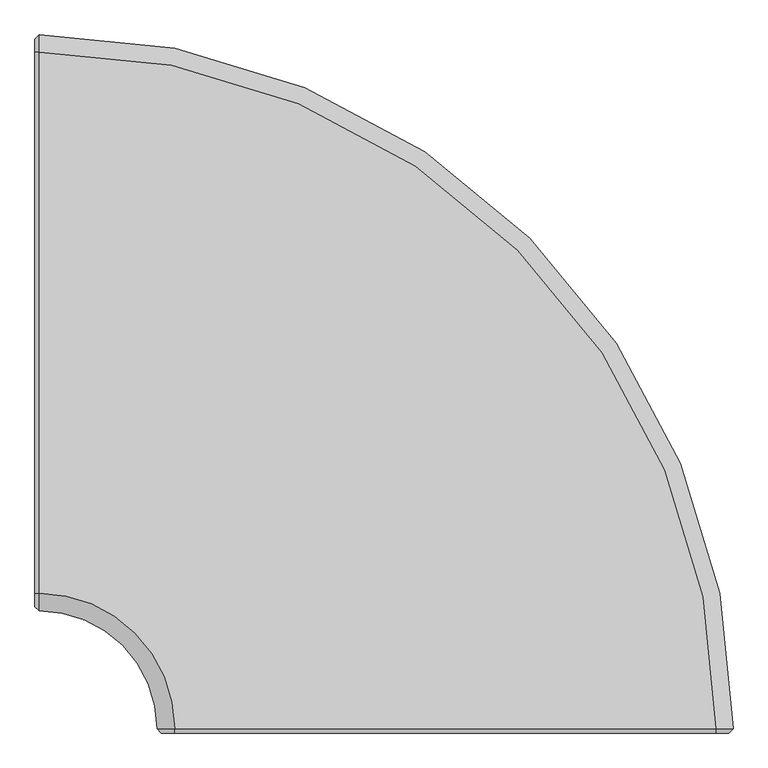
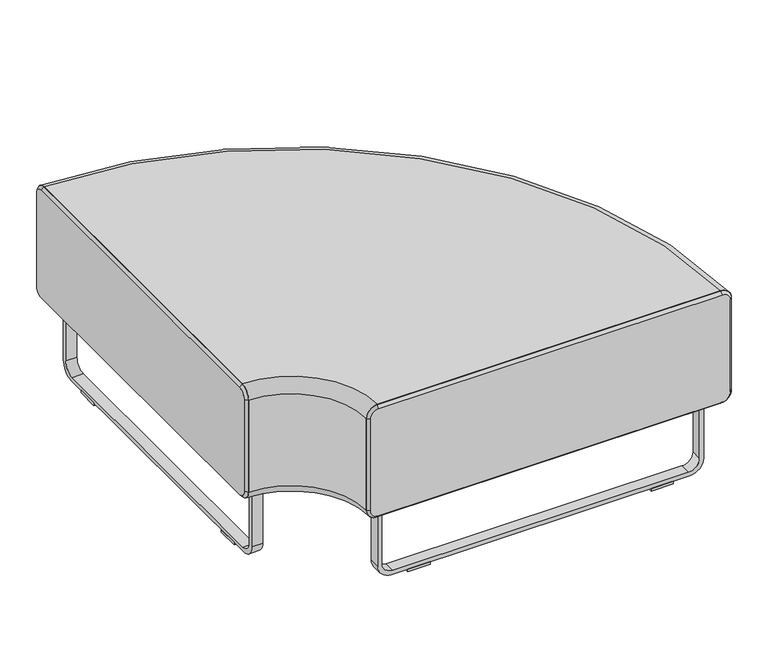
"""IFC4 building model written with IfcOpenShell, lengths in millimetres: furniture geometry."""

from ifc_helpers import new_model, si_unit, point, frame, frame_2d, origin, origin_with_axes, place, context, project, spatial, polyline, circle_curve, ellipse_curve, trimmed, segment, composite_curve, outline, extrude, source, transform, mapped, element, save
from ifc_brep_helpers import plane_surface, cylinder_surface, revolved_surface, advanced_brep


def furniture_3b325048(model_context):
    return source(origin(), model_context, "Body", "SolidModel", [
        advanced_brep(
        [(-514.9320562, -692.0193165, 209.55), (-514.9320562, -692.0193165, 431.8), (-514.9320562, -666.6193165, 457.2), (-514.9320562, 120.7806835, 457.2), (-514.9320562, 146.1806835, 431.8), (-514.9320562, 146.1806835, 209.55), (-514.9320562, 120.7806835, 184.15), (-514.9320562, -666.6193165, 184.15), (-343.4820562, -863.4693165, 209.55), (-318.0820562, -863.4693165, 184.15), (469.3179438, -863.4693165, 184.15), (494.7179438, -863.4693165, 209.55), (494.7179438, -863.4693165, 431.8), (469.3179438, -863.4693165, 457.2), (-318.0820562, -863.4693165, 457.2), (-343.4820562, -863.4693165, 431.8)],
        [
            (0, 1),
            (1, 2, circle_curve(frame((-514.9320562, -666.6193165, 431.8), z_axis=(-1.0, 0.0, 0.0), x_axis=(0.0, -1.0, 0.0)), 25.4)),
            (2, 3),
            (3, 4, circle_curve(frame((-514.9320562, 120.7806835, 431.8), z_axis=(-1.0, 0.0, 0.0), x_axis=(0.0, -1.0, 0.0)), 25.4)),
            (4, 5),
            (5, 6, circle_curve(frame((-514.9320562, 120.7806835, 209.55), z_axis=(-1.0, 0.0, 0.0), x_axis=(0.0, -1.0, 0.0)), 25.4)),
            (6, 7),
            (7, 0, circle_curve(frame((-514.9320562, -666.6193165, 209.55), z_axis=(-1.0, 0.0, 0.0), x_axis=(0.0, -1.0, 0.0)), 25.4)),
            (8, 9, circle_curve(frame((-318.0820562, -863.4693165, 209.55), z_axis=(0.0, -1.0, 0.0), x_axis=(-1.0, 0.0, 0.0)), 25.4)),
            (9, 10),
            (10, 11, circle_curve(frame((469.3179438, -863.4693165, 209.55), z_axis=(0.0, -1.0, 0.0), x_axis=(-1.0, 0.0, 0.0)), 25.4)),
            (11, 12),
            (12, 13, circle_curve(frame((469.3179438, -863.4693165, 431.8), z_axis=(0.0, -1.0, 0.0), x_axis=(-1.0, 0.0, 0.0)), 25.4)),
            (13, 14),
            (14, 15, circle_curve(frame((-318.0820562, -863.4693165, 431.8), z_axis=(0.0, -1.0, 0.0), x_axis=(-1.0, 0.0, 0.0)), 25.4)),
            (15, 8),
            (15, 1, circle_curve(frame((-514.9320562, -863.4693165, 431.8), z_axis=(0.0, 0.0, 1.0), x_axis=(0.0, 1.0, 0.0)), 171.45)),
            (0, 8, circle_curve(frame((-514.9320562, -863.4693165, 209.55), z_axis=(0.0, 0.0, -1.0), x_axis=(0.0, 1.0, 0.0)), 171.45)),
            (14, 2, circle_curve(frame((-514.9320562, -863.4693165, 457.2), z_axis=(0.0, 0.0, 1.0), x_axis=(0.0, 1.0, 0.0)), 196.85)),
            (13, 3, circle_curve(frame((-514.9320562, -863.4693165, 457.2), z_axis=(0.0, 0.0, 1.0), x_axis=(0.0, 1.0, 0.0)), 984.25)),
            (12, 4, circle_curve(frame((-514.9320562, -863.4693165, 431.8), z_axis=(0.0, 0.0, 1.0), x_axis=(0.0, 1.0, 0.0)), 1009.65)),
            (11, 5, circle_curve(frame((-514.9320562, -863.4693165, 209.55), z_axis=(0.0, 0.0, 1.0), x_axis=(0.0, 1.0, 0.0)), 1009.65)),
            (10, 6, circle_curve(frame((-514.9320562, -863.4693165, 184.15), z_axis=(0.0, 0.0, 1.0), x_axis=(0.0, 1.0, 0.0)), 984.25)),
            (9, 7, circle_curve(frame((-514.9320562, -863.4693165, 184.15), z_axis=(0.0, 0.0, 1.0), x_axis=(0.0, 1.0, 0.0)), 196.85)),
        ],
        [
            plane_surface(frame((-514.9320562, -863.4693165, 574.4626339), z_axis=(-1.0, 0.0, 0.0), x_axis=(0.0, 1.0, 0.0))),
            plane_surface(frame((-514.9320562, -863.4693165, 574.4626339), z_axis=(0.0, -1.0, 0.0), x_axis=(1.0, 0.0, 0.0))),
            revolved_surface(polyline([(-514.9320562, -692.0193165000001, 209.55), (-514.9320562, -692.0193165000001, 431.8)]), (-514.9320562, -863.4693165, 574.4626339), (0.0, 0.0, -1.0)),
            revolved_surface(trimmed(ellipse_curve(frame((-514.9320562, -666.6193165, 431.8), z_axis=(-1.0, 0.0, 0.0), x_axis=(0.0, -1.0, 0.0)), 25.4, 25.4), [point((-514.9320562, -692.0193165, 431.8))], [point((-514.9320562, -666.6193165, 457.2))], True, "CARTESIAN"), (-514.9320562, -863.4693165, 574.4626339), (0.0, 0.0, -1.0)),
            plane_surface(frame((-514.9320562, -863.4693165, 457.2), z_axis=(0.0, 0.0, 1.0), x_axis=(0.0, 1.0, 0.0))),
            revolved_surface(trimmed(ellipse_curve(frame((-514.9320562, 120.7806835, 431.8), z_axis=(-1.0, 0.0, 0.0), x_axis=(0.0, -1.0, 0.0)), 25.4, 25.4), [point((-514.9320562, 120.7806835, 457.2))], [point((-514.9320562, 146.1806835, 431.8))], True, "CARTESIAN"), (-514.9320562, -863.4693165, 574.4626339), (0.0, 0.0, -1.0)),
            cylinder_surface(frame((-514.9320562, -863.4693165, 574.4626339), z_axis=(0.0, 0.0, -1.0), x_axis=(0.0, 1.0, 0.0)), 1009.65),
            revolved_surface(trimmed(ellipse_curve(frame((-514.9320562, 120.7806835, 209.55), z_axis=(-1.0, 0.0, 0.0), x_axis=(0.0, -1.0, 0.0)), 25.4, 25.4), [point((-514.9320562, 146.1806835, 209.55))], [point((-514.9320562, 120.7806835, 184.15))], True, "CARTESIAN"), (-514.9320562, -863.4693165, 574.4626339), (0.0, 0.0, -1.0)),
            plane_surface(frame((-514.9320562, -863.4693165, 184.15), z_axis=(0.0, 0.0, -1.0), x_axis=(0.0, 1.0, 0.0))),
            revolved_surface(trimmed(ellipse_curve(frame((-514.9320562, -666.6193165, 209.55), z_axis=(-1.0, 0.0, 0.0), x_axis=(0.0, -1.0, 0.0)), 25.4, 25.4), [point((-514.9320562, -666.6193165, 184.15))], [point((-514.9320562, -692.0193165, 209.55))], True, "CARTESIAN"), (-514.9320562, -863.4693165, 574.4626339), (0.0, 0.0, -1.0)),
        ],
        [
            (0, [[1, 2, 3, 4, 5, 6, 7, 8]]),
            (1, [[9, 10, 11, 12, 13, 14, 15, 16]]),
            (2, [[17, -1, 18, -16]]),
            (3, [[19, -2, -17, -15]]),
            (4, [[20, -3, -19, -14]]),
            (5, [[21, -4, -20, -13]]),
            (6, [[22, -5, -21, -12]]),
            (7, [[23, -6, -22, -11]]),
            (8, [[24, -7, -23, -10]]),
            (9, [[-18, -8, -24, -9]]),
        ],
    ),
        advanced_brep(
        [(469.3179438, -863.4693165, 457.2), (494.7179438, -863.4693165, 431.8), (494.7179438, -863.4693165, 209.55), (469.3179438, -863.4693165, 184.15), (-318.0820562, -863.4693165, 184.15), (-343.4820562, -863.4693165, 209.55), (-343.4820562, -863.4693165, 431.8), (-318.0820562, -863.4693165, 457.2), (469.3179438, -869.8193165, 450.85), (-318.0820562, -869.8193165, 450.85), (-337.1320562, -869.8193165, 431.8), (-337.1320562, -869.8193165, 209.55), (-318.0820562, -869.8193165, 190.5), (469.3179438, -869.8193165, 190.5), (488.3679438, -869.8193165, 209.55), (488.3679438, -869.8193165, 431.8)],
        [
            (0, 1, circle_curve(frame((469.3179438, -863.4693165, 431.8), z_axis=(0.0, 1.0, 0.0), x_axis=(0.0, 0.0, 1.0)), 25.4)),
            (1, 2),
            (2, 3, circle_curve(frame((469.3179438, -863.4693165, 209.55), z_axis=(0.0, 1.0, 0.0), x_axis=(1.0, 0.0, 0.0)), 25.4)),
            (3, 4),
            (4, 5, circle_curve(frame((-318.0820562, -863.4693165, 209.55), z_axis=(0.0, 1.0, 0.0), x_axis=(0.0, 0.0, -1.0)), 25.4)),
            (5, 6),
            (6, 7, circle_curve(frame((-318.0820562, -863.4693165, 431.8), z_axis=(0.0, 1.0, 0.0), x_axis=(-1.0, 0.0, 0.0)), 25.4)),
            (7, 0),
            (8, 9),
            (9, 10, circle_curve(frame((-318.0820562, -869.8193165, 431.8), z_axis=(0.0, -1.0, 0.0), x_axis=(-1.0, 0.0, 0.0)), 19.05)),
            (10, 11),
            (11, 12, circle_curve(frame((-318.0820562, -869.8193165, 209.55), z_axis=(0.0, -1.0, 0.0), x_axis=(0.0, 0.0, -1.0)), 19.05)),
            (12, 13),
            (13, 14, circle_curve(frame((469.3179438, -869.8193165, 209.55), z_axis=(0.0, -1.0, 0.0), x_axis=(1.0, 0.0, 0.0)), 19.05)),
            (14, 15),
            (15, 8, circle_curve(frame((469.3179438, -869.8193165, 431.8), z_axis=(0.0, -1.0, 0.0), x_axis=(0.0, 0.0, 1.0)), 19.05)),
            (8, 0),
            (7, 9),
            (10, 6),
            (5, 11),
            (12, 4),
            (3, 13),
            (14, 2),
            (1, 15),
        ],
        [
            plane_surface(frame((75.6179438, -863.4693165, 320.675), z_axis=(0.0, 1.0, 0.0), x_axis=(-1.0, 0.0, 0.0))),
            plane_surface(frame((75.6179438, -869.8193165, 320.675), z_axis=(0.0, -1.0, 0.0), x_axis=(-1.0, 0.0, 0.0))),
            plane_surface(frame((75.6179438, -869.8193165, 450.85), z_axis=(0.0, -0.7071067811866907, 0.7071067811864044), x_axis=(1.0, 0.0, 0.0))),
            plane_surface(frame((-337.1320562, -869.8193165, 320.675), z_axis=(-0.7071067811863968, -0.7071067811866982, 0.0), x_axis=(0.0, 0.0, 1.0))),
            plane_surface(frame((75.6179438, -869.8193165, 190.5), z_axis=(0.0, -0.7071067811866888, -0.7071067811864062), x_axis=(-1.0, 0.0, 0.0))),
            plane_surface(frame((488.3679438, -869.8193165, 320.675), z_axis=(0.7071067811864119, -0.7071067811866832, 0.0), x_axis=(0.0, 0.0, -1.0))),
            revolved_surface(polyline([(488.3679438, -869.8193165, 431.8), (494.7179438, -863.4693165, 431.8)]), (469.3179438, -888.8693165, 431.8), (0.0, 1.0, 0.0)),
            revolved_surface(polyline([(469.3179438, -869.8193165, 190.50000000000003), (469.3179438, -863.4693165, 184.15)]), (469.3179438, -888.8693165, 209.55), (0.0, 1.0, 0.0)),
            revolved_surface(polyline([(-337.13205619999997, -869.8193165, 209.55), (-343.4820562, -863.4693165, 209.55)]), (-318.0820562, -888.8693165, 209.55), (0.0, 1.0, 0.0)),
            revolved_surface(polyline([(-318.0820562, -869.8193165, 450.84999999999997), (-318.0820562, -863.4693165, 457.2)]), (-318.0820562, -888.8693165, 431.8), (0.0, 1.0, 0.0)),
        ],
        [
            (0, [[1, 2, 3, 4, 5, 6, 7, 8]]),
            (1, [[9, 10, 11, 12, 13, 14, 15, 16]]),
            (2, [[-9, 17, -8, 18]]),
            (3, [[-11, 19, -6, 20]]),
            (4, [[-13, 21, -4, 22]]),
            (5, [[-15, 23, -2, 24]]),
            (6, [[-16, -24, -1, -17]]),
            (7, [[-14, -22, -3, -23]]),
            (8, [[-12, -20, -5, -21]]),
            (9, [[-10, -18, -7, -19]]),
        ],
    ),
        advanced_brep(
        [(-514.9320562, -666.6193165, 457.2), (-514.9320562, -692.0193165, 431.8), (-514.9320562, -692.0193165, 209.55), (-514.9320562, -666.6193165, 184.15), (-514.9320562, 120.7806835, 184.15), (-514.9320562, 146.1806835, 209.55), (-514.9320562, 146.1806835, 431.8), (-514.9320562, 120.7806835, 457.2), (-521.2820562, -666.6193165, 450.85), (-521.2820562, 120.7806835, 450.85), (-521.2820562, 139.8306835, 431.8), (-521.2820562, 139.8306835, 209.55), (-521.2820562, 120.7806835, 190.5), (-521.2820562, -666.6193165, 190.5), (-521.2820562, -685.6693165, 209.55), (-521.2820562, -685.6693165, 431.8)],
        [
            (0, 1, circle_curve(frame((-514.9320562, -666.6193165, 431.8), z_axis=(1.0, 0.0, 0.0), x_axis=(0.0, 0.0, 1.0)), 25.4)),
            (1, 2),
            (2, 3, circle_curve(frame((-514.9320562, -666.6193165, 209.55), z_axis=(1.0, 0.0, 0.0), x_axis=(0.0, -1.0, 0.0)), 25.4)),
            (3, 4),
            (4, 5, circle_curve(frame((-514.9320562, 120.7806835, 209.55), z_axis=(1.0, 0.0, 0.0), x_axis=(0.0, 0.0, -1.0)), 25.4)),
            (5, 6),
            (6, 7, circle_curve(frame((-514.9320562, 120.7806835, 431.8), z_axis=(1.0, 0.0, 0.0), x_axis=(0.0, 1.0, 0.0)), 25.4)),
            (7, 0),
            (8, 9),
            (9, 10, circle_curve(frame((-521.2820562, 120.7806835, 431.8), z_axis=(-1.0, 0.0, 0.0), x_axis=(0.0, 1.0, 0.0)), 19.05)),
            (10, 11),
            (11, 12, circle_curve(frame((-521.2820562, 120.7806835, 209.55), z_axis=(-1.0, 0.0, 0.0), x_axis=(0.0, 0.0, -1.0)), 19.05)),
            (12, 13),
            (13, 14, circle_curve(frame((-521.2820562, -666.6193165, 209.55), z_axis=(-1.0, 0.0, 0.0), x_axis=(0.0, -1.0, 0.0)), 19.05)),
            (14, 15),
            (15, 8, circle_curve(frame((-521.2820562, -666.6193165, 431.8), z_axis=(-1.0, 0.0, 0.0), x_axis=(0.0, 0.0, 1.0)), 19.05)),
            (8, 0),
            (7, 9),
            (10, 6),
            (5, 11),
            (12, 4),
            (3, 13),
            (14, 2),
            (1, 15),
        ],
        [
            plane_surface(frame((-514.9320562, -272.9193165, 320.675), z_axis=(1.0, 0.0, 0.0), x_axis=(0.0, 1.0, 0.0))),
            plane_surface(frame((-521.2820562, -272.9193165, 320.675), z_axis=(-1.0, 0.0, 0.0), x_axis=(0.0, 1.0, 0.0))),
            plane_surface(frame((-521.2820562, -272.9193165, 450.85), z_axis=(-0.7071067811866982, 0.0, 0.7071067811863968), x_axis=(0.0, -1.0, 0.0))),
            plane_surface(frame((-521.2820562, 139.8306835, 320.675), z_axis=(-0.7071067811866973, 0.7071067811863977, 0.0), x_axis=(0.0, 0.0, 1.0))),
            plane_surface(frame((-521.2820562, -272.9193165, 190.5), z_axis=(-0.7071067811866814, 0.0, -0.7071067811864138), x_axis=(0.0, 1.0, 0.0))),
            plane_surface(frame((-521.2820562, -685.6693165, 320.675), z_axis=(-0.7071067811866681, -0.707106781186427, 0.0), x_axis=(0.0, 0.0, -1.0))),
            revolved_surface(polyline([(-521.2820562, -685.6693164999999, 431.8), (-514.9320562, -692.0193165, 431.8)]), (-540.3320562, -666.6193165, 431.8), (1.0, 0.0, 0.0)),
            revolved_surface(polyline([(-521.2820562, -666.6193165, 190.50000000000003), (-514.9320562, -666.6193165, 184.15)]), (-540.3320562, -666.6193165, 209.55), (1.0, 0.0, 0.0)),
            revolved_surface(polyline([(-521.2820562, 139.83068349999996, 209.55), (-514.9320562, 146.1806835, 209.55)]), (-540.3320562, 120.7806835, 209.55), (1.0, 0.0, 0.0)),
            revolved_surface(polyline([(-521.2820562, 120.7806835, 450.84999999999997), (-514.9320562, 120.7806835, 457.2)]), (-540.3320562, 120.7806835, 431.8), (1.0, 0.0, 0.0)),
        ],
        [
            (0, [[1, 2, 3, 4, 5, 6, 7, 8]]),
            (1, [[9, 10, 11, 12, 13, 14, 15, 16]]),
            (2, [[-9, 17, -8, 18]]),
            (3, [[-11, 19, -6, 20]]),
            (4, [[-13, 21, -4, 22]]),
            (5, [[-15, 23, -2, 24]]),
            (6, [[-16, -24, -1, -17]]),
            (7, [[-14, -22, -3, -23]]),
            (8, [[-12, -20, -5, -21]]),
            (9, [[-10, -18, -7, -19]]),
        ],
    ),
        extrude(outline(polyline([(-41.8307264, -457.7199075), (-84.4869344, -415.0636995), (-41.8307521, -372.4075172), (0.825456, -415.0637252), (-41.8307264, -457.7199075)])), frame((0.0, 0.0, 177.8), z_axis=(0.0, 0.0, 1.0), x_axis=(1.0, 0.0, 0.0)), (0.0, 0.0, 1.0), 6.35),
        extrude(outline(polyline([(200.6361889, -215.2529922), (157.9799713, -257.9092099), (115.3237633, -215.2530019), (157.9799809, -172.5967842), (200.6361889, -215.2529922)])), frame((0.0, 0.0, 177.8), z_axis=(0.0, 0.0, 1.0), x_axis=(1.0, 0.0, 0.0)), (0.0, 0.0, 1.0), 6.35),
        extrude(outline(polyline([(-17.0819837, -383.579739), (-35.0424788, -365.6192439), (0.8785114, -329.6982537), (18.8390065, -347.6587488), (-17.0819837, -383.579739)])), origin_with_axes(), (0.0, 0.0, 1.0), 6.35),
        extrude(outline(polyline([(126.4960365, -240.0017188), (90.5750077, -275.9227476), (72.6145126, -257.9622525), (108.5355414, -222.0412237), (126.4960365, -240.0017188)])), origin_with_axes(), (0.0, 0.0, 1.0), 6.35),
        extrude(outline(composite_curve([segment(polyline([(-139.7, 0.0), (0.0, 0.0), (0.0, -9.525), (-136.525, -9.525)]), True, "CONTINUOUS"), segment(trimmed(circle_curve(frame_2d((-136.525, -34.925)), 25.4), [point((-136.525, -9.525))], [point((-161.925, -34.925))], True, "CARTESIAN"), True, "CONTINUOUS"), segment(polyline([(-161.925, -34.925), (-161.925, -307.975)]), True, "CONTINUOUS"), segment(trimmed(circle_curve(frame_2d((-136.525, -307.975)), 25.4), [point((-161.925, -307.975))], [point((-136.525, -333.375))], True, "CARTESIAN"), True, "CONTINUOUS"), segment(polyline([(-136.525, -333.375), (0.0, -333.375), (0.0, -342.9), (-139.7, -342.9)]), True, "CONTINUOUS"), segment(trimmed(circle_curve(frame_2d((-139.7, -311.15)), 31.75), [point((-139.7, -342.9))], [point((-171.45, -311.15))], False, "CARTESIAN"), True, "CONTINUOUS"), segment(polyline([(-171.45, -311.15), (-171.45, -31.75)]), True, "CONTINUOUS"), segment(trimmed(circle_curve(frame_2d((-139.7, -31.75)), 31.75), [point((-171.45, -31.75))], [point((-139.7, 0.0))], False, "CARTESIAN"), True, "CONTINUOUS")], self_intersect=False)), frame((175.940476, -190.5572793, 177.8), z_axis=(-0.7071067811865493, 0.7071067811865458, 0.0), x_axis=(0.0, 0.0, 1.0)), (0.0, 0.0, 1.0), 25.3999758),
        extrude(outline(polyline([(-298.6351812, -769.9060473), (-238.3039634, -769.9060473), (-238.3039634, -830.2310352), (-298.6351812, -830.2310352), (-298.6351812, -769.9060473)])), frame((0.0, 0.0, 177.8), z_axis=(0.0, 0.0, 1.0), x_axis=(1.0, 0.0, 0.0)), (0.0, 0.0, 1.0), 6.35),
        extrude(outline(polyline([(449.8710688, -769.9060473), (449.8710688, -830.2310352), (389.5460673, -830.2310352), (389.5460673, -769.9060473), (449.8710688, -769.9060473)])), frame((0.0, 0.0, 177.8), z_axis=(0.0, 0.0, 1.0), x_axis=(1.0, 0.0, 0.0)), (0.0, 0.0, 1.0), 6.35),
        extrude(outline(polyline([(-228.7038953, -804.8310594), (-177.9039438, -804.8310594), (-177.9039438, -830.2310352), (-228.7038953, -830.2310352), (-228.7038953, -804.8310594)])), origin_with_axes(), (0.0, 0.0, 1.0), 6.35),
        extrude(outline(polyline([(379.9460718, -804.8310594), (379.9460718, -830.2310352), (329.1460658, -830.2310352), (329.1460658, -804.8310594), (379.9460718, -804.8310594)])), origin_with_axes(), (0.0, 0.0, 1.0), 6.35),
        extrude(outline(composite_curve([segment(polyline([(38.1, 449.8710688), (177.8, 449.8710688), (177.8, 440.3460688), (41.275, 440.3460688)]), True, "CONTINUOUS"), segment(trimmed(circle_curve(frame_2d((41.275, 414.9460688)), 25.4), [point((41.275, 440.3460688))], [point((15.875, 414.9460688))], True, "CARTESIAN"), True, "CONTINUOUS"), segment(polyline([(15.875, 414.9460688), (15.875, -263.703915)]), True, "CONTINUOUS"), segment(trimmed(circle_curve(frame_2d((41.275, -263.703915)), 25.4), [point((15.875, -263.703915))], [point((41.275, -289.103915))], True, "CARTESIAN"), True, "CONTINUOUS"), segment(polyline([(41.275, -289.103915), (177.8, -289.103915), (177.8, -298.6351812), (38.1, -298.6351812)]), True, "CONTINUOUS"), segment(trimmed(circle_curve(frame_2d((38.1, -266.8851812)), 31.75), [point((38.1, -298.6351812))], [point((6.35, -266.8851812))], False, "CARTESIAN"), True, "CONTINUOUS"), segment(polyline([(6.35, -266.8851812), (6.35, 418.1210688)]), True, "CONTINUOUS"), segment(trimmed(circle_curve(frame_2d((38.1, 418.1210688)), 31.75), [point((6.35, 418.1210688))], [point((38.1, 449.8710688))], False, "CARTESIAN"), True, "CONTINUOUS")], self_intersect=False)), frame((0.0, -830.2310352, 0.0), z_axis=(0.0, 1.0, 0.0), x_axis=(0.0, 0.0, 1.0)), (0.0, 0.0, 1.0), 25.3999758),
        extrude(outline(polyline([(-421.3687871, -647.1692924), (-481.693775, -647.1692924), (-481.693775, -586.8412236), (-421.3687871, -586.8412236), (-421.3687871, -647.1692924)])), frame((0.0, 0.0, 177.8), z_axis=(0.0, 0.0, 1.0), x_axis=(1.0, 0.0, 0.0)), (0.0, 0.0, 1.0), 6.35),
        extrude(outline(polyline([(-421.3687871, 101.3338085), (-421.3687871, 41.008807), (-481.693775, 41.008807), (-481.693775, 101.3338085), (-421.3687871, 101.3338085)])), frame((0.0, 0.0, 177.8), z_axis=(0.0, 0.0, 1.0), x_axis=(1.0, 0.0, 0.0)), (0.0, 0.0, 1.0), 6.35),
        extrude(outline(polyline([(-456.2937992, -577.2411555), (-481.693775, -577.2411555), (-481.693775, -526.441204), (-456.2937992, -526.441204), (-456.2937992, -577.2411555)])), origin_with_axes(), (0.0, 0.0, 1.0), 6.35),
        extrude(outline(polyline([(-456.2937992, 31.4088116), (-456.2937992, -19.3911945), (-481.693775, -19.3911945), (-481.693775, 31.4088116), (-456.2937992, 31.4088116)])), origin_with_axes(), (0.0, 0.0, 1.0), 6.35),
        extrude(outline(composite_curve([segment(trimmed(circle_curve(frame_2d((69.5838085, 38.1)), 31.75), [point((101.3338085, 38.1))], [point((69.5838085, 6.35))], False, "CARTESIAN"), True, "CONTINUOUS"), segment(polyline([(69.5838085, 6.35), (-615.4192924, 6.35)]), True, "CONTINUOUS"), segment(trimmed(circle_curve(frame_2d((-615.4192924, 38.1)), 31.75), [point((-615.4192924, 6.35))], [point((-647.1692924, 38.1))], False, "CARTESIAN"), True, "CONTINUOUS"), segment(polyline([(-647.1692924, 38.1), (-647.1692924, 177.8), (-637.6411752, 177.8), (-637.6411752, 41.275)]), True, "CONTINUOUS"), segment(trimmed(circle_curve(frame_2d((-612.2411752, 41.275)), 25.4), [point((-637.6411752, 41.275))], [point((-612.2411752, 15.875))], True, "CARTESIAN"), True, "CONTINUOUS"), segment(polyline([(-612.2411752, 15.875), (66.4088085, 15.875)]), True, "CONTINUOUS"), segment(trimmed(circle_curve(frame_2d((66.4088085, 41.275)), 25.4), [point((66.4088085, 15.875))], [point((91.8088085, 41.275))], True, "CARTESIAN"), True, "CONTINUOUS"), segment(polyline([(91.8088085, 41.275), (91.8088085, 177.8), (101.3338085, 177.8), (101.3338085, 38.1)]), True, "CONTINUOUS")], self_intersect=False)), frame((-481.693775, 0.0, 0.0), z_axis=(1.0, 0.0, 0.0), x_axis=(0.0, 1.0, 0.0)), (0.0, 0.0, 1.0), 25.3999758),
    ])


if __name__ == "__main__":
    model = new_model("IFC4")
    model_context = context("Model", 3, world=origin())
    ifc_project = project(units=[si_unit("LENGTHUNIT", "METRE", prefix="MILLI")], contexts=[model_context])
    site = spatial("IfcSite", under=ifc_project)
    building = spatial("IfcBuilding", under=site)
    placement = place(None, origin())
    furniture_shape = furniture_3b325048(model_context)
    element("IfcFurniture", 1, at=placement, inside=building, context=model_context, shape_type="MappedRepresentation", body=[
        mapped(furniture_shape, transform((0.0, 0.0, 0.0), x_axis=(1.0, 0.0, 0.0), y_axis=(0.0, 1.0, 0.0), z_axis=(0.0, 0.0, 1.0))),
    ])
    save(model, "model.ifc")
